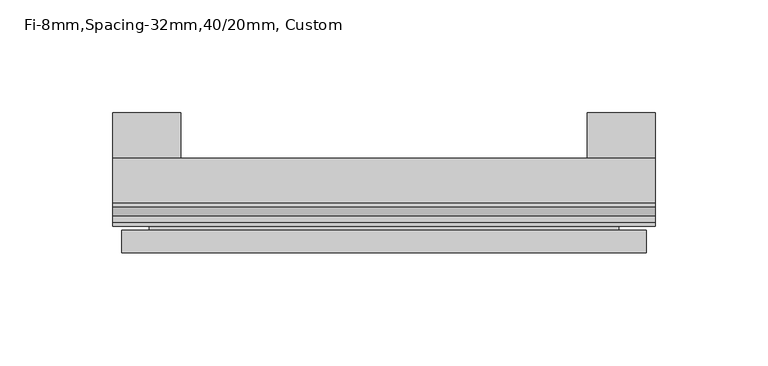
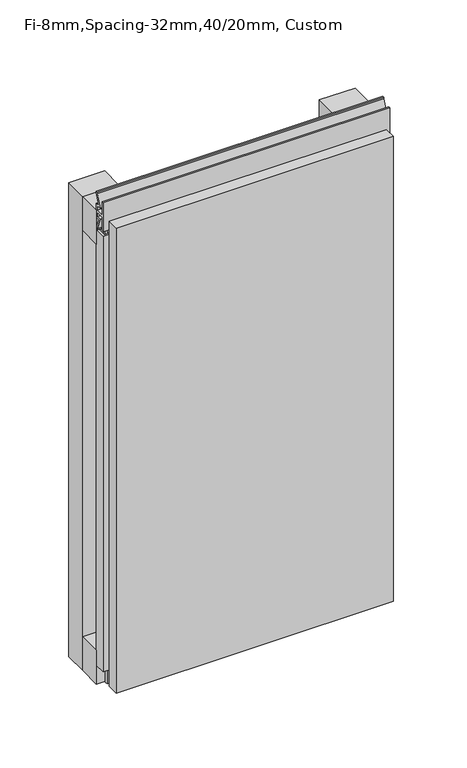
"""IFC4 building model written with IfcOpenShell, lengths in millimetres: plate geometry, Fi-8mm,Spacing-32mm,40/20mm, Custom."""

from ifc_helpers import new_model, si_unit, frame, origin, origin_with_axes, place, context, project, spatial, polyline, outline, extrude, faceted_brep, source, transform, mapped, element, save


def fi_8mm_spacing_32mm_40_20mm_custom_4151afbb(model_context):
    return source(origin(), model_context, "Body", "SolidModel", [
        extrude(outline(polyline([(-120.0, -40.0), (-120.0, -20.0), (120.0, -20.0), (120.0, -40.0), (-120.0, -40.0)])), frame((0.0, 0.0, 390.0), z_axis=(0.0, 0.0, 1.0), x_axis=(1.0, 0.0, 0.0)), (0.0, 0.0, 1.0), 30.0),
        extrude(outline(polyline([(-120.0, -40.0), (-120.0, -20.0), (120.0, -20.0), (120.0, -40.0), (-120.0, -40.0)])), origin_with_axes(), (0.0, 0.0, 1.0), 30.0),
        extrude(outline(polyline([(90.0, 0.0), (120.0, 0.0), (120.0, -20.0), (90.0, -20.0), (90.0, 0.0)])), origin_with_axes(), (0.0, 0.0, 1.0), 420.0),
        extrude(outline(polyline([(-90.0, 0.0), (-90.0, -20.0), (-120.0, -20.0), (-120.0, 0.0), (-90.0, 0.0)])), origin_with_axes(), (0.0, 0.0, 1.0), 420.0),
        extrude(outline(polyline([(-113.700916, -40.0), (-113.700916, -43.5), (-104.6441401, -40.0553267), (-97.008452, -40.0553267), (-97.008452, -41.4553267), (-104.4296606, -41.4553267), (-115.100916, -45.5140545), (-115.100916, -41.4), (-118.5843193, -41.4), (-118.5843193, -48.7), (-106.5843193, -48.7), (-106.5843193, -50.1), (-120.0, -50.1), (-120.0, -40.0), (-113.700916, -40.0)])), frame((0.0, 0.0, 16.9558599), z_axis=(0.0, 0.0, 1.0), x_axis=(1.0, 0.0, 0.0)), (0.0, 0.0, 1.0), 386.0882802),
        extrude(outline(polyline([(-48.7, 420.899084), (-41.4, 420.899084), (-41.4, 424.899084), (-45.5140545, 424.899084), (-41.4553267, 435.5703394), (-41.4553267, 436.9558599), (-40.0553267, 436.9558599), (-40.0553267, 435.3558599), (-43.5, 426.299084), (-40.0, 426.299084), (-40.0, 413.700916), (-43.5, 413.700916), (-40.0553267, 404.6441401), (-40.0553267, 403.0441401), (-41.4553267, 403.0441401), (-41.4553267, 404.4296606), (-45.5140545, 415.100916), (-41.4, 415.100916), (-41.4, 419.100916), (-48.7, 419.100916), (-48.7, 407.100916), (-50.1, 407.100916), (-50.1, 432.899084), (-48.7, 432.899084), (-48.7, 420.899084)])), frame((-120.0, 0.0, 0.0), z_axis=(1.0, 0.0, 0.0), x_axis=(0.0, 1.0, 0.0)), (0.0, 0.0, 1.0), 240.0),
        faceted_brep([(116.0, -45.9, 416.0), (-116.0, -45.9, 416.0), (-116.0, -48.7, 416.0), (116.0, -48.7, 416.0), (-116.0, -61.9, 416.0), (116.0, -61.9, 416.0), (116.0, -51.9, 416.0), (-116.0, -51.9, 416.0), (-116.0, -45.9, 4.0), (116.0, -45.9, 4.0), (116.0, -48.7, 4.0), (-116.0, -48.7, 4.0), (116.0, -61.9, 4.0), (-116.0, -61.9, 4.0), (-116.0, -51.9, 4.0), (116.0, -51.9, 4.0), (104.0, -51.9, 404.0), (104.0, -51.9, 16.0), (104.0, -48.7, 16.0), (104.0, -48.7, 404.0), (-104.0, -51.9, 16.0), (-104.0, -48.7, 16.0), (-104.0, -51.9, 404.0), (-104.0, -48.7, 404.0)], [[[0, 1, 2, 3]], [[4, 5, 6, 7]], [[8, 9, 10, 11]], [[12, 13, 14, 15]], [[1, 0, 9, 8]], [[1, 8, 11, 2]], [[13, 4, 7, 14]], [[5, 4, 13, 12]], [[9, 0, 3, 10]], [[5, 12, 15, 6]], [[16, 17, 18, 19]], [[18, 17, 20, 21]], [[21, 20, 22, 23]], [[16, 19, 23, 22]], [[7, 6, 15, 14], [17, 16, 22, 20]], [[3, 2, 11, 10], [19, 18, 21, 23]]]),
    ])


if __name__ == "__main__":
    model = new_model("IFC4")
    model_context = context("Model", 3, world=origin())
    ifc_project = project(units=[si_unit("LENGTHUNIT", "METRE", prefix="MILLI")], contexts=[model_context])
    site = spatial("IfcSite", under=ifc_project)
    building = spatial("IfcBuilding", under=site)
    placement = place(None, origin())
    fi_8mm_spacing_32mm_40_20mm_custom_shape = fi_8mm_spacing_32mm_40_20mm_custom_4151afbb(model_context)
    element("IfcPlate", 1, ObjectType="Fi-8mm,Spacing-32mm,40/20mm, Custom", at=placement, inside=building, context=model_context, shape_type="MappedRepresentation", body=[
        mapped(fi_8mm_spacing_32mm_40_20mm_custom_shape, transform((0.0, 0.0, 0.0), x_axis=(1.0, 0.0, 0.0), y_axis=(0.0, 1.0, 0.0), z_axis=(0.0, 0.0, 1.0))),
    ])
    save(model, "model.ifc")
